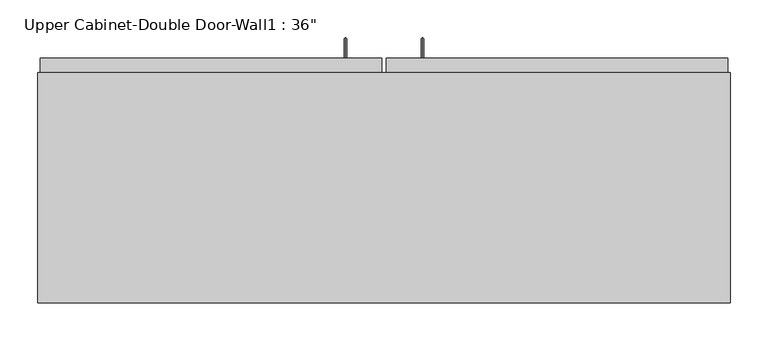
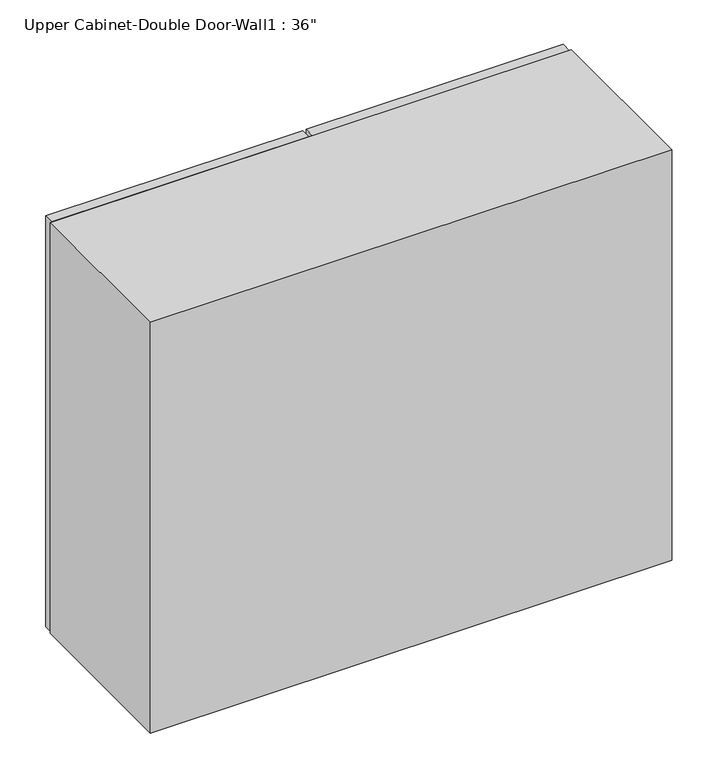
"""IFC4 building model written with IfcOpenShell, lengths in millimetres: furniture geometry."""

from ifc_helpers import new_model, si_unit, frame, origin, place, context, project, spatial, polyline, circle_curve, ellipse_curve, outline, extrude, faceted_brep, source, transform, mapped, element, save
from ifc_brep_helpers import plane_surface, cylinder_surface, advanced_brep


def furniture_d3424580(model_context):
    return source(origin(), model_context, "Body", "SolidModel", [
        advanced_brep(
        [(80.5132081, 385.7625, 1425.575), (80.5132081, 385.7625, 1422.4), (80.5132081, 409.575, 1425.575), (80.5132081, 412.75, 1422.4), (80.5132081, 409.575, 1597.025), (80.5132081, 412.75, 1600.2), (80.5132081, 385.7625, 1597.025), (80.5132081, 385.7625, 1600.2)],
        [
            (0, 1, circle_curve(frame((80.5132081, 385.7625, 1423.9875), z_axis=(0.0, -1.0, 0.0), x_axis=(0.0, 0.0, -1.0)), 1.5875)),
            (1, 0, circle_curve(frame((80.5132081, 385.7625, 1423.9875), z_axis=(0.0, -1.0, 0.0), x_axis=(0.0, 0.0, -1.0)), 1.5875)),
            (0, 2),
            (2, 3, ellipse_curve(frame((80.5132081, 411.1625, 1423.9875), z_axis=(0.0, -0.7071067811865536, -0.7071067811865416), x_axis=(0.0, -0.7071067811865415, 0.7071067811865536)), 2.245064, 1.5875)),
            (3, 1),
            (3, 2, ellipse_curve(frame((80.5132081, 411.1625, 1423.9875), z_axis=(0.0, -0.7071067811865536, -0.7071067811865416), x_axis=(0.0, -0.7071067811865415, 0.7071067811865536)), 2.245064, 1.5875)),
            (2, 4),
            (4, 5, ellipse_curve(frame((80.5132081, 411.1625, 1598.6125), z_axis=(0.0, 0.7071067811865415, -0.7071067811865535), x_axis=(0.0, -0.7071067811865533, -0.7071067811865418)), 2.245064, 1.5875)),
            (5, 3),
            (5, 4, ellipse_curve(frame((80.5132081, 411.1625, 1598.6125), z_axis=(0.0, 0.7071067811865415, -0.7071067811865535), x_axis=(0.0, -0.7071067811865533, -0.7071067811865418)), 2.245064, 1.5875)),
            (6, 7, circle_curve(frame((80.5132081, 385.7625, 1598.6125), z_axis=(0.0, -1.0, 0.0), x_axis=(0.0, 0.0, 1.0)), 1.5875)),
            (7, 6, circle_curve(frame((80.5132081, 385.7625, 1598.6125), z_axis=(0.0, -1.0, 0.0), x_axis=(0.0, 0.0, 1.0)), 1.5875)),
            (4, 6),
            (7, 5),
        ],
        [
            plane_surface(frame((80.5132081, 385.7625, 1423.9875), z_axis=(0.0, -1.0, 0.0), x_axis=(-1.0, 0.0, 0.0))),
            cylinder_surface(frame((80.5132081, 385.7625, 1423.9875), z_axis=(0.0, -1.0, 0.0), x_axis=(0.0, 0.0, -1.0)), 1.5875),
            cylinder_surface(frame((80.5132081, 411.1625, 1423.9875), z_axis=(0.0, 0.0, -1.0), x_axis=(0.0, 1.0, 0.0)), 1.5875),
            plane_surface(frame((80.5132081, 385.7625, 1598.6125), z_axis=(0.0, -1.0, 0.0), x_axis=(-1.0, 0.0, 0.0))),
            cylinder_surface(frame((80.5132081, 411.1625, 1598.6125), z_axis=(0.0, 1.0, 0.0), x_axis=(0.0, 0.0, 1.0)), 1.5875),
        ],
        [
            (0, [[1, 2]]),
            (1, [[-1, 3, 4, 5]]),
            (1, [[-2, -5, 6, -3]]),
            (2, [[-4, 7, 8, 9]]),
            (2, [[-6, -9, 10, -7]]),
            (3, [[11, 12]]),
            (4, [[-8, 13, -12, 14]]),
            (4, [[-10, -14, -11, -13]]),
        ],
    ),
        advanced_brep(
        [(-21.0867919, 385.7625, 1425.575), (-21.0867919, 385.7625, 1422.4), (-21.0867919, 409.575, 1425.575), (-21.0867919, 412.75, 1422.4), (-21.0867919, 409.575, 1597.025), (-21.0867919, 412.75, 1600.2), (-21.0867919, 385.7625, 1597.025), (-21.0867919, 385.7625, 1600.2)],
        [
            (0, 1, circle_curve(frame((-21.0867919, 385.7625, 1423.9875), z_axis=(0.0, -1.0, 0.0), x_axis=(0.0, 0.0, -1.0)), 1.5875)),
            (1, 0, circle_curve(frame((-21.0867919, 385.7625, 1423.9875), z_axis=(0.0, -1.0, 0.0), x_axis=(0.0, 0.0, -1.0)), 1.5875)),
            (0, 2),
            (2, 3, ellipse_curve(frame((-21.0867919, 411.1625, 1423.9875), z_axis=(0.0, -0.7071067811865536, -0.7071067811865414), x_axis=(0.0, -0.7071067811865416, 0.7071067811865535)), 2.245064, 1.5875)),
            (3, 1),
            (3, 2, ellipse_curve(frame((-21.0867919, 411.1625, 1423.9875), z_axis=(0.0, -0.7071067811865536, -0.7071067811865414), x_axis=(0.0, -0.7071067811865416, 0.7071067811865535)), 2.245064, 1.5875)),
            (2, 4),
            (4, 5, ellipse_curve(frame((-21.0867919, 411.1625, 1598.6125), z_axis=(0.0, 0.7071067811865415, -0.7071067811865535), x_axis=(0.0, -0.7071067811865533, -0.7071067811865416)), 2.245064, 1.5875)),
            (5, 3),
            (5, 4, ellipse_curve(frame((-21.0867919, 411.1625, 1598.6125), z_axis=(0.0, 0.7071067811865415, -0.7071067811865535), x_axis=(0.0, -0.7071067811865533, -0.7071067811865416)), 2.245064, 1.5875)),
            (6, 7, circle_curve(frame((-21.0867919, 385.7625, 1598.6125), z_axis=(0.0, -1.0, 0.0), x_axis=(0.0, 0.0, 1.0)), 1.5875)),
            (7, 6, circle_curve(frame((-21.0867919, 385.7625, 1598.6125), z_axis=(0.0, -1.0, 0.0), x_axis=(0.0, 0.0, 1.0)), 1.5875)),
            (4, 6),
            (7, 5),
        ],
        [
            plane_surface(frame((-21.0867919, 385.7625, 1423.9875), z_axis=(0.0, -1.0, 0.0), x_axis=(-1.0, 0.0, 0.0))),
            cylinder_surface(frame((-21.0867919, 385.7625, 1423.9875), z_axis=(0.0, -1.0, 0.0), x_axis=(0.0, 0.0, -1.0)), 1.5875),
            cylinder_surface(frame((-21.0867919, 411.1625, 1423.9875), z_axis=(0.0, 0.0, -1.0), x_axis=(0.0, 1.0, 0.0)), 1.5875),
            plane_surface(frame((-21.0867919, 385.7625, 1598.6125), z_axis=(0.0, -1.0, 0.0), x_axis=(-1.0, 0.0, 0.0))),
            cylinder_surface(frame((-21.0867919, 411.1625, 1598.6125), z_axis=(0.0, 1.0, 0.0), x_axis=(0.0, 0.0, 1.0)), 1.5875),
        ],
        [
            (0, [[1, 2]]),
            (1, [[-1, 3, 4, 5]]),
            (1, [[-2, -5, 6, -3]]),
            (2, [[-4, 7, 8, 9]]),
            (2, [[-6, -9, 10, -7]]),
            (3, [[11, 12]]),
            (4, [[-8, 13, -12, 14]]),
            (4, [[-10, -14, -11, -13]]),
        ],
    ),
        faceted_brep([(-427.4288372, 61.9125, 2133.6), (-427.4288372, 61.9125, 1371.6), (486.9711628, 61.9125, 1371.6), (486.9711628, 61.9125, 2133.6), (-427.4288372, 366.7125, 2133.6), (486.9711628, 366.7125, 2133.6), (486.9711628, 366.7125, 1371.6), (-427.4288372, 366.7125, 1371.6), (467.9211628, 366.7125, 2114.55), (55.1711628, 366.7125, 2114.55), (55.1711628, 366.7125, 1390.65), (467.9211628, 366.7125, 1390.65), (-408.3788372, 366.7125, 2114.55), (-408.3788372, 366.7125, 1390.65), (4.3711628, 366.7125, 1390.65), (4.3711628, 366.7125, 2114.55), (-408.3788372, 80.9625, 2114.55), (4.3711628, 347.6625, 2114.55), (55.1711628, 347.6625, 2114.55), (467.9211628, 80.9625, 2114.55), (467.9211628, 80.9625, 1390.65), (55.1711628, 347.6625, 1390.65), (4.3711628, 347.6625, 1390.65), (-408.3788372, 80.9625, 1390.65)], [[[0, 1, 2, 3]], [[4, 5, 6, 7], [8, 9, 10, 11], [12, 13, 14, 15]], [[1, 0, 4, 7]], [[2, 1, 7, 6]], [[3, 2, 6, 5]], [[0, 3, 5, 4]], [[16, 12, 15, 17, 18, 9, 8, 19]], [[8, 11, 20, 19]], [[20, 11, 10, 21, 22, 14, 13, 23]], [[13, 12, 16, 23]], [[16, 19, 20, 23]], [[18, 21, 10, 9]], [[15, 14, 22, 17]], [[21, 18, 17, 22]]]),
        extrude(outline(polyline([(32.9461628, 385.7625), (483.7961628, 385.7625), (483.7961628, 366.7125), (32.9461628, 366.7125), (32.9461628, 385.7625)])), frame((0.0, 0.0, 1371.6), z_axis=(0.0, 0.0, 1.0), x_axis=(1.0, 0.0, 0.0)), (0.0, 0.0, 1.0), 762.0),
        extrude(outline(polyline([(-424.2538372, 385.7625), (26.5961628, 385.7625), (26.5961628, 366.7125), (-424.2538372, 366.7125), (-424.2538372, 385.7625)])), frame((0.0, 0.0, 1371.6), z_axis=(0.0, 0.0, 1.0), x_axis=(1.0, 0.0, 0.0)), (0.0, 0.0, 1.0), 762.0),
        extrude(outline(polyline([(467.9211628, 347.6625), (467.9211628, 80.9625), (-408.3788372, 80.9625), (-408.3788372, 347.6625), (467.9211628, 347.6625)])), frame((0.0, 0.0, 1951.0326388), z_axis=(0.0, 0.0, 1.0), x_axis=(1.0, 0.0, 0.0)), (0.0, 0.0, 1.0), 12.7),
        extrude(outline(polyline([(467.9211628, 347.6625), (467.9211628, 80.9625), (-408.3788372, 80.9625), (-408.3788372, 347.6625), (467.9211628, 347.6625)])), frame((0.0, 0.0, 1773.2326388), z_axis=(0.0, 0.0, 1.0), x_axis=(1.0, 0.0, 0.0)), (0.0, 0.0, 1.0), 12.7),
        extrude(outline(polyline([(467.9211628, 347.6625), (467.9211628, 80.9625), (-408.3788372, 80.9625), (-408.3788372, 347.6625), (467.9211628, 347.6625)])), frame((0.0, 0.0, 1595.4326388), z_axis=(0.0, 0.0, 1.0), x_axis=(1.0, 0.0, 0.0)), (0.0, 0.0, 1.0), 12.7),
    ])


if __name__ == "__main__":
    model = new_model("IFC4")
    model_context = context("Model", 3, world=origin())
    ifc_project = project(units=[si_unit("LENGTHUNIT", "METRE", prefix="MILLI")], contexts=[model_context])
    site = spatial("IfcSite", under=ifc_project)
    building = spatial("IfcBuilding", under=site)
    placement = place(None, origin())
    furniture_shape = furniture_d3424580(model_context)
    element("IfcFurniture", 1, ObjectType="Upper Cabinet-Double Door-Wall1 : 36\"", at=placement, inside=building, context=model_context, shape_type="MappedRepresentation", body=[
        mapped(furniture_shape, transform((0.0, 0.0, 0.0), x_axis=(1.0, 0.0, 0.0), y_axis=(0.0, 1.0, 0.0), z_axis=(0.0, 0.0, 1.0))),
    ])
    save(model, "model.ifc")
